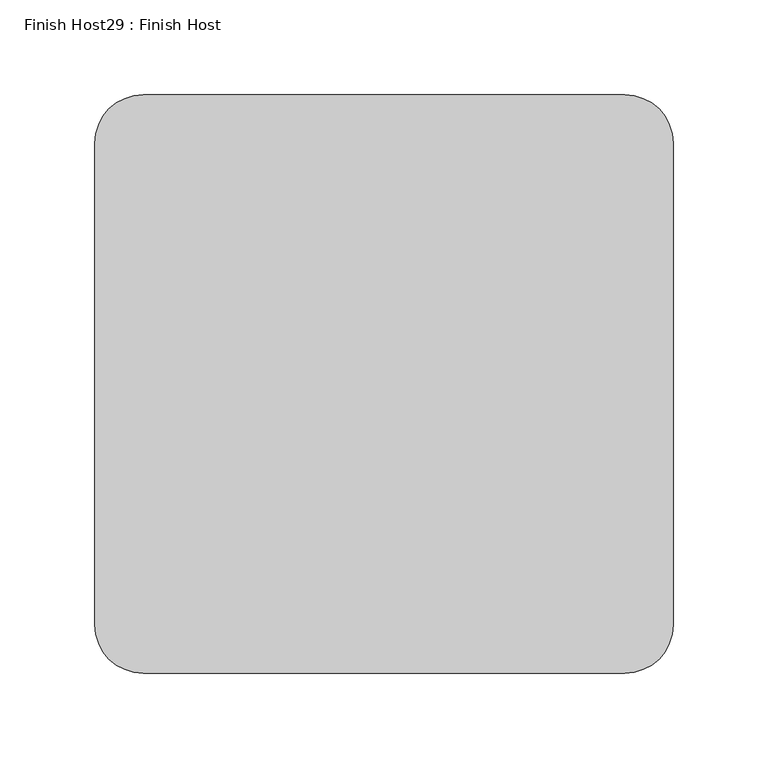
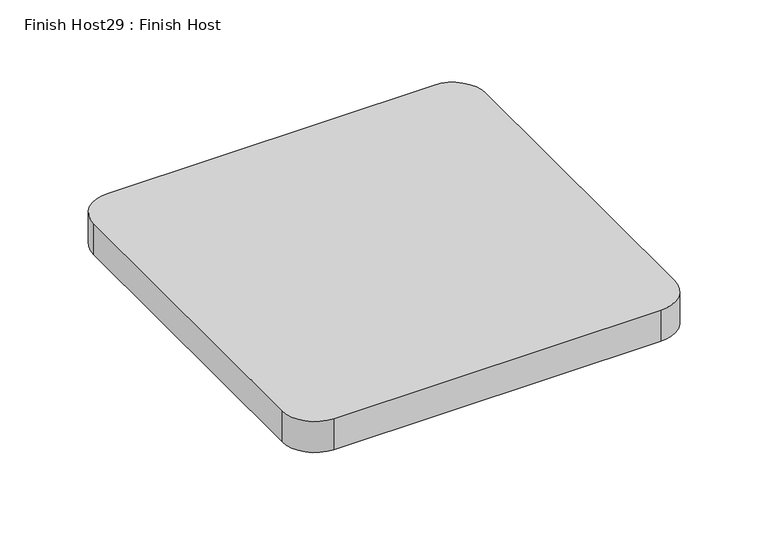
"""IFC4 building model written with IfcOpenShell, lengths in millimetres: proxy geometry, Finish Host29 : Finish Host."""

from ifc_helpers import new_model, si_unit, point, frame_2d, origin, origin_with_axes, place, context, project, spatial, polyline, circle_curve, trimmed, segment, composite_curve, outline, extrude, source, transform, mapped, element, save


def finish_host29_finish_host_b7dff220(model_context):
    return source(origin(), model_context, "Body", "SweptSolid", [
        extrude(outline(composite_curve([segment(polyline([(2715.0934426, 546.4122951), (2715.0934426, 800.4122951)]), True, "CONTINUOUS"), segment(trimmed(circle_curve(frame_2d((2740.4934426, 800.4122951)), 25.4), [point((2715.0934426, 800.4122951))], [point((2740.4934426, 825.8122951))], False, "CARTESIAN"), True, "CONTINUOUS"), segment(polyline([(2740.4934426, 825.8122951), (2994.4934426, 825.8122951)]), True, "CONTINUOUS"), segment(trimmed(circle_curve(frame_2d((2994.4934426, 800.4122951)), 25.4), [point((2994.4934426, 825.8122951))], [point((3019.8934426, 800.4122951))], False, "CARTESIAN"), True, "CONTINUOUS"), segment(polyline([(3019.8934426, 800.4122951), (3019.8934426, 546.4122951)]), True, "CONTINUOUS"), segment(trimmed(circle_curve(frame_2d((2994.4934426, 546.4122951)), 25.4), [point((3019.8934426, 546.4122951))], [point((2994.4934426, 521.0122951))], False, "CARTESIAN"), True, "CONTINUOUS"), segment(polyline([(2994.4934426, 521.0122951), (2740.4934426, 521.0122951)]), True, "CONTINUOUS"), segment(trimmed(circle_curve(frame_2d((2740.4934426, 546.4122951)), 25.4), [point((2740.4934426, 521.0122951))], [point((2715.0934426, 546.4122951))], False, "CARTESIAN"), True, "CONTINUOUS")], self_intersect=False)), origin_with_axes(), (0.0, 0.0, 1.0), 25.4),
    ])


if __name__ == "__main__":
    model = new_model("IFC4")
    model_context = context("Model", 3, world=origin())
    ifc_project = project(units=[si_unit("LENGTHUNIT", "METRE", prefix="MILLI")], contexts=[model_context])
    site = spatial("IfcSite", under=ifc_project)
    building = spatial("IfcBuilding", under=site)
    placement = place(None, origin())
    finish_host29_finish_host_shape = finish_host29_finish_host_b7dff220(model_context)
    element("IfcBuildingElementProxy", 1, Name="Finish Host29 : Finish Host", ObjectType="Finish Host29 : Finish Host", at=placement, inside=building, context=model_context, shape_type="MappedRepresentation", body=[
        mapped(finish_host29_finish_host_shape, transform((0.0, 0.0, 0.0), x_axis=(1.0, 0.0, 0.0), y_axis=(0.0, 1.0, 0.0), z_axis=(0.0, 0.0, 1.0))),
    ])
    save(model, "model.ifc")
